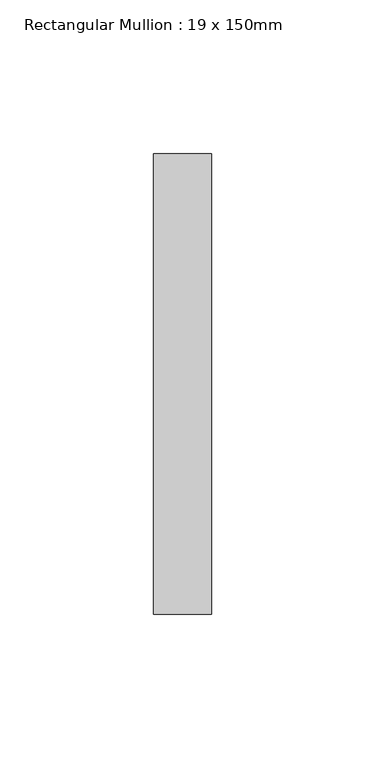
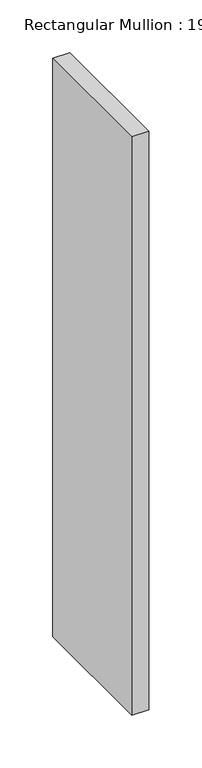
"""IFC4 building model written with IfcOpenShell, lengths in millimetres: member geometry, Rectangular Mullion : 19 x 150mm."""

from ifc_helpers import new_model, si_unit, frame, origin, place, context, project, spatial, polyline, outline, extrude, source, transform, mapped, element, save


def rectangular_mullion_19_x_150mm_6d7ac9b1(model_context):
    return source(origin(), model_context, "Body", "SweptSolid", [
        extrude(outline(polyline([(0.0, -25.0), (0.0, -175.0), (-19.0, -175.0), (-19.0, -25.0), (0.0, -25.0)])), frame((0.0, 0.0, -670.8669975), z_axis=(0.0, 0.0, 1.0), x_axis=(1.0, 0.0, 0.0)), (0.0, 0.0, 1.0), 670.8669975),
    ])


if __name__ == "__main__":
    model = new_model("IFC4")
    model_context = context("Model", 3, world=origin())
    ifc_project = project(units=[si_unit("LENGTHUNIT", "METRE", prefix="MILLI")], contexts=[model_context])
    site = spatial("IfcSite", under=ifc_project)
    building = spatial("IfcBuilding", under=site)
    placement = place(None, origin())
    rectangular_mullion_19_x_150mm_shape = rectangular_mullion_19_x_150mm_6d7ac9b1(model_context)
    element("IfcMember", 1, ObjectType="Rectangular Mullion : 19 x 150mm", at=placement, inside=building, context=model_context, shape_type="MappedRepresentation", body=[
        mapped(rectangular_mullion_19_x_150mm_shape, transform((0.0, 0.0, 0.0), x_axis=(1.0, 0.0, 0.0), y_axis=(0.0, 1.0, 0.0), z_axis=(0.0, 0.0, 1.0))),
    ])
    save(model, "model.ifc")
